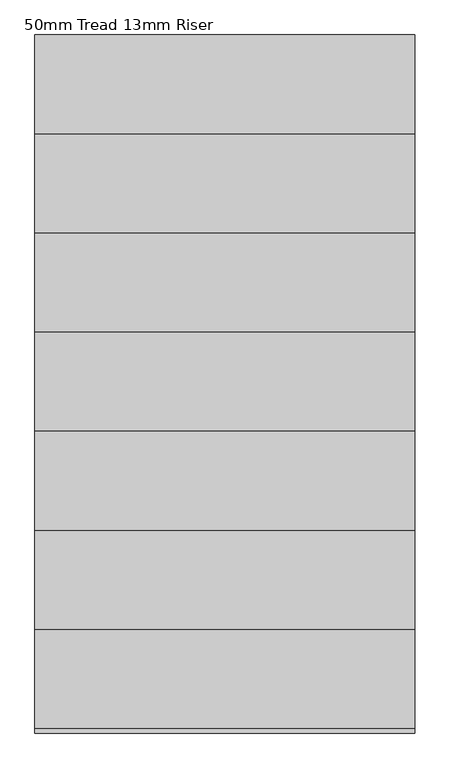
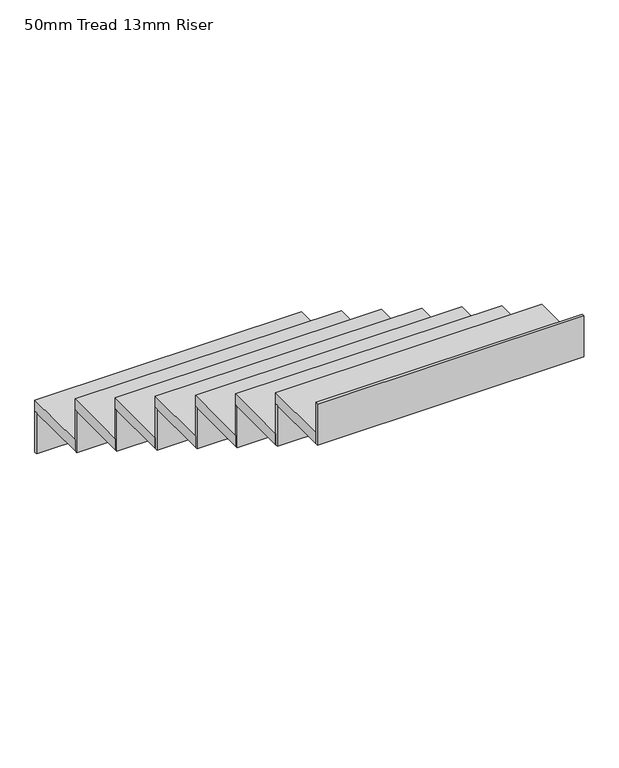
"""IFC4 building model written with IfcOpenShell, lengths in millimetres: stair flight geometry, 50mm Tread 13mm Riser."""

from ifc_helpers import new_model, si_unit, frame, origin, place, context, project, spatial, polyline, outline, extrude, source, transform, mapped, element, save


def stair_flight_50mm_tread_13mm_riser_b72e6ecb(model_context):
    return source(origin(), model_context, "Body", "SweptSolid", [
        extrude(outline(polyline([(1684.355623, -9384.865151), (1684.355623, -9372.365151), (2834.355623, -9372.365151), (2834.355623, -9384.865151), (1684.355623, -9384.865151)])), frame((0.0, 0.0, 13450.0), z_axis=(0.0, 0.0, 1.0), x_axis=(1.0, 0.0, 0.0)), (0.0, 0.0, 1.0), 187.5),
        extrude(outline(polyline([(2834.355623, -9672.365151), (1684.355623, -9672.365151), (1684.355623, -9372.365151), (2834.355623, -9372.365151), (2834.355623, -9672.365151)])), frame((0.0, 0.0, 13637.5), z_axis=(0.0, 0.0, 1.0), x_axis=(1.0, 0.0, 0.0)), (0.0, 0.0, 1.0), 50.0),
        extrude(outline(polyline([(1684.355623, -9684.865151), (1684.355623, -9672.365151), (2834.355623, -9672.365151), (2834.355623, -9684.865151), (1684.355623, -9684.865151)])), frame((0.0, 0.0, 13637.5), z_axis=(0.0, 0.0, 1.0), x_axis=(1.0, 0.0, 0.0)), (0.0, 0.0, 1.0), 187.5),
        extrude(outline(polyline([(2834.355623, -9972.365151), (1684.355623, -9972.365151), (1684.355623, -9672.365151), (2834.355623, -9672.365151), (2834.355623, -9972.365151)])), frame((0.0, 0.0, 13825.0), z_axis=(0.0, 0.0, 1.0), x_axis=(1.0, 0.0, 0.0)), (0.0, 0.0, 1.0), 50.0),
        extrude(outline(polyline([(1684.355623, -9984.865151), (1684.355623, -9972.365151), (2834.355623, -9972.365151), (2834.355623, -9984.865151), (1684.355623, -9984.865151)])), frame((0.0, 0.0, 13825.0), z_axis=(0.0, 0.0, 1.0), x_axis=(1.0, 0.0, 0.0)), (0.0, 0.0, 1.0), 187.5),
        extrude(outline(polyline([(2834.355623, -10272.365151), (1684.355623, -10272.365151), (1684.355623, -9972.365151), (2834.355623, -9972.365151), (2834.355623, -10272.365151)])), frame((0.0, 0.0, 14012.5), z_axis=(0.0, 0.0, 1.0), x_axis=(1.0, 0.0, 0.0)), (0.0, 0.0, 1.0), 50.0),
        extrude(outline(polyline([(1684.355623, -10284.865151), (1684.355623, -10272.365151), (2834.355623, -10272.365151), (2834.355623, -10284.865151), (1684.355623, -10284.865151)])), frame((0.0, 0.0, 14012.5), z_axis=(0.0, 0.0, 1.0), x_axis=(1.0, 0.0, 0.0)), (0.0, 0.0, 1.0), 187.5),
        extrude(outline(polyline([(2834.355623, -10572.365151), (1684.355623, -10572.365151), (1684.355623, -10272.365151), (2834.355623, -10272.365151), (2834.355623, -10572.365151)])), frame((0.0, 0.0, 14200.0), z_axis=(0.0, 0.0, 1.0), x_axis=(1.0, 0.0, 0.0)), (0.0, 0.0, 1.0), 50.0),
        extrude(outline(polyline([(1684.355623, -10584.865151), (1684.355623, -10572.365151), (2834.355623, -10572.365151), (2834.355623, -10584.865151), (1684.355623, -10584.865151)])), frame((0.0, 0.0, 14200.0), z_axis=(0.0, 0.0, 1.0), x_axis=(1.0, 0.0, 0.0)), (0.0, 0.0, 1.0), 187.5),
        extrude(outline(polyline([(2834.355623, -10872.365151), (1684.355623, -10872.365151), (1684.355623, -10572.365151), (2834.355623, -10572.365151), (2834.355623, -10872.365151)])), frame((0.0, 0.0, 14387.5), z_axis=(0.0, 0.0, 1.0), x_axis=(1.0, 0.0, 0.0)), (0.0, 0.0, 1.0), 50.0),
        extrude(outline(polyline([(1684.355623, -10884.865151), (1684.355623, -10872.365151), (2834.355623, -10872.365151), (2834.355623, -10884.865151), (1684.355623, -10884.865151)])), frame((0.0, 0.0, 14387.5), z_axis=(0.0, 0.0, 1.0), x_axis=(1.0, 0.0, 0.0)), (0.0, 0.0, 1.0), 187.5),
        extrude(outline(polyline([(2834.355623, -11172.365151), (1684.355623, -11172.365151), (1684.355623, -10872.365151), (2834.355623, -10872.365151), (2834.355623, -11172.365151)])), frame((0.0, 0.0, 14575.0), z_axis=(0.0, 0.0, 1.0), x_axis=(1.0, 0.0, 0.0)), (0.0, 0.0, 1.0), 50.0),
        extrude(outline(polyline([(1684.355623, -11184.865151), (1684.355623, -11172.365151), (2834.355623, -11172.365151), (2834.355623, -11184.865151), (1684.355623, -11184.865151)])), frame((0.0, 0.0, 14575.0), z_axis=(0.0, 0.0, 1.0), x_axis=(1.0, 0.0, 0.0)), (0.0, 0.0, 1.0), 187.5),
        extrude(outline(polyline([(1684.355623, -11484.865151), (1684.355623, -11472.365151), (2834.355623, -11472.365151), (2834.355623, -11484.865151), (1684.355623, -11484.865151)])), frame((0.0, 0.0, 14762.5), z_axis=(0.0, 0.0, 1.0), x_axis=(1.0, 0.0, 0.0)), (0.0, 0.0, 1.0), 187.5),
        extrude(outline(polyline([(2834.355623, -11472.365151), (1684.355623, -11472.365151), (1684.355623, -11172.365151), (2834.355623, -11172.365151), (2834.355623, -11472.365151)])), frame((0.0, 0.0, 14762.5), z_axis=(0.0, 0.0, 1.0), x_axis=(1.0, 0.0, 0.0)), (0.0, 0.0, 1.0), 50.0),
    ])


if __name__ == "__main__":
    model = new_model("IFC4")
    model_context = context("Model", 3, world=origin())
    ifc_project = project(units=[si_unit("LENGTHUNIT", "METRE", prefix="MILLI")], contexts=[model_context])
    site = spatial("IfcSite", under=ifc_project)
    building = spatial("IfcBuilding", under=site)
    placement = place(None, origin())
    stair_flight_50mm_tread_13mm_riser_shape = stair_flight_50mm_tread_13mm_riser_b72e6ecb(model_context)
    element("IfcStairFlight", 1, ObjectType="50mm Tread 13mm Riser", at=placement, inside=building, context=model_context, shape_type="MappedRepresentation", body=[
        mapped(stair_flight_50mm_tread_13mm_riser_shape, transform((0.0, 0.0, 0.0), x_axis=(1.0, 0.0, 0.0), y_axis=(0.0, 1.0, 0.0), z_axis=(0.0, 0.0, 1.0))),
    ])
    save(model, "model.ifc")
